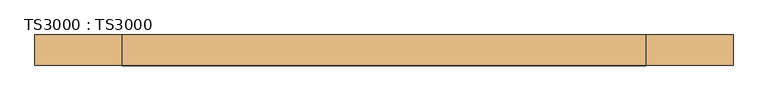
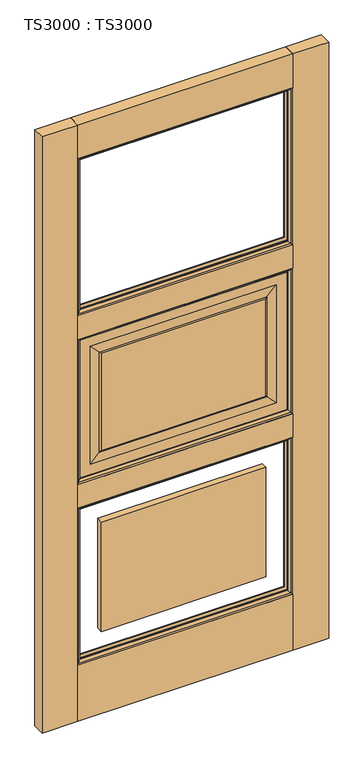
"""IFC4 building model written with IfcOpenShell, lengths in millimetres: door geometry, TS3000 : TS3000."""

from ifc_helpers import new_model, si_unit, frame, origin, origin_with_axes, place, context, project, spatial, polyline, ellipse_curve, outline, extrude, source, transform, mapped, element, save
from ifc_brep_helpers import plane_surface, revolved_surface, advanced_brep


def ts3000_ts3000_a0dd6230(model_context):
    return source(origin(), model_context, "Body", "SolidModel", [
        advanced_brep(
        [(889.0, -12.7, 1430.8666667), (889.0, -31.75, 1430.8666667), (889.0, -31.75, 886.8833333), (889.0, -12.7, 886.8833333), (127.0, -31.75, 1430.8666667), (127.0, -31.75, 886.8833333), (838.2, -31.75, 937.6833333), (177.8, -31.75, 937.6833333), (177.8, -31.75, 1380.0666667), (838.2, -31.75, 1380.0666667), (127.0, -12.7, 886.8833333), (127.0, -12.7, 1430.8666667), (838.2, -12.7, 1380.0666667), (177.8, -12.7, 1380.0666667), (177.8, -12.7, 937.6833333), (838.2, -12.7, 937.6833333), (800.1, -33.3375, 1341.9666667), (800.1, -11.1125, 1341.9666667), (800.1, -11.1125, 975.7833333), (800.1, -33.3375, 975.7833333), (804.8625, -13.49375, 1346.7291667), (804.8625, -13.49375, 971.0208333), (215.9, -11.1125, 975.7833333), (215.9, -33.3375, 975.7833333), (804.8625, -30.95625, 1346.7291667), (804.8625, -30.95625, 971.0208333), (211.1375, -13.49375, 971.0208333), (215.9, -11.1125, 1341.9666667), (215.9, -33.3375, 1341.9666667), (211.1375, -30.95625, 971.0208333), (211.1375, -13.49375, 1346.7291667), (211.1375, -30.95625, 1346.7291667)],
        [
            (0, 1),
            (1, 2),
            (2, 3),
            (3, 0),
            (1, 4),
            (4, 5),
            (5, 2),
            (6, 7),
            (7, 8),
            (8, 9),
            (9, 6),
            (5, 10),
            (10, 3),
            (10, 11),
            (11, 0),
            (12, 13),
            (13, 14),
            (14, 15),
            (15, 12),
            (16, 17),
            (17, 18),
            (18, 19),
            (19, 16),
            (17, 20, ellipse_curve(frame((805.3585938, -6.5484375, 1347.2252604), z_axis=(-0.7071067811865475, 0.0, 0.7071067811865475), x_axis=(-0.7071067811865474, 0.0, -0.7071067811865476)), 9.8471798, 6.9630076)),
            (20, 21),
            (21, 18, ellipse_curve(frame((805.3585938, -6.5484375, 970.5247396), z_axis=(-0.7071067811865475, 0.0, -0.7071067811865475), x_axis=(0.7071067811865474, 0.0, -0.7071067811865476)), 9.8471798, 6.9630076)),
            (18, 22),
            (22, 23),
            (23, 19),
            (24, 16, ellipse_curve(frame((805.3585938, -37.9015625, 1347.2252604), z_axis=(-0.7071067811865475, 0.0, 0.7071067811865475), x_axis=(-0.7071067811865474, 0.0, -0.7071067811865476)), 9.8471798, 6.9630076)),
            (19, 25, ellipse_curve(frame((805.3585938, -37.9015625, 970.5247396), z_axis=(-0.7071067811865475, 0.0, -0.7071067811865475), x_axis=(0.7071067811865474, 0.0, -0.7071067811865476)), 9.8471798, 6.9630076)),
            (25, 24),
            (4, 11),
            (21, 26),
            (26, 22, ellipse_curve(frame((210.6414063, -6.5484375, 970.5247396), z_axis=(-0.7071067811865475, 0.0, 0.7071067811865475), x_axis=(-0.7071067811865476, 0.0, -0.7071067811865474)), 9.8471798, 6.9630076)),
            (22, 27),
            (27, 28),
            (28, 23),
            (23, 29, ellipse_curve(frame((210.6414063, -37.9015625, 970.5247396), z_axis=(-0.7071067811865475, 0.0, 0.7071067811865475), x_axis=(-0.7071067811865476, 0.0, -0.7071067811865474)), 9.8471798, 6.9630076)),
            (29, 25),
            (26, 30),
            (30, 27, ellipse_curve(frame((210.6414063, -6.5484375, 1347.2252604), z_axis=(0.7071067811865475, 0.0, 0.7071067811865475), x_axis=(-0.7071067811865474, 0.0, 0.7071067811865476)), 9.8471798, 6.9630076)),
            (28, 31, ellipse_curve(frame((210.6414063, -37.9015625, 1347.2252604), z_axis=(0.7071067811865475, 0.0, 0.7071067811865475), x_axis=(-0.7071067811865474, 0.0, 0.7071067811865476)), 9.8471798, 6.9630076)),
            (31, 29),
            (6, 25),
            (29, 7),
            (31, 8),
            (9, 24),
            (26, 14),
            (13, 30),
            (21, 15),
            (20, 12),
            (27, 17),
            (16, 28),
            (31, 24),
            (20, 30),
        ],
        [
            plane_surface(frame((889.0, -31.75, 1430.8666667), z_axis=(1.0, 0.0, 0.0), x_axis=(0.0, 0.0, -1.0))),
            plane_surface(frame((177.8, -31.75, 1380.0666667), z_axis=(0.0, -1.0, 0.0), x_axis=(1.0, 0.0, 0.0))),
            plane_surface(frame((889.0, -31.75, 886.8833333), z_axis=(0.0, 0.0, -1.0), x_axis=(-1.0, 0.0, 0.0))),
            plane_surface(frame((127.0, -12.7, 1430.8666667), z_axis=(0.0, 1.0, 0.0), x_axis=(1.0, 0.0, 0.0))),
            plane_surface(frame((800.1, -11.1125, 1341.9666667), z_axis=(-1.0, 0.0, 0.0), x_axis=(0.0, 0.0, -1.0))),
            revolved_surface(polyline([(798.3955862, -6.5484375, 963.5617319878568), (798.3955862, -6.5484375, 1354.1882680121432)]), (805.3585938, -6.5484375, 1341.9666667), (0.0, 0.0, -1.0)),
            plane_surface(frame((800.1, -11.1125, 975.7833333), z_axis=(0.0, 0.0, 1.0), x_axis=(-1.0, 0.0, 0.0))),
            revolved_surface(polyline([(798.3955862, -37.9015625, 963.5617319878568), (798.3955862, -37.9015625, 1354.1882680121432)]), (805.3585938, -37.9015625, 1341.9666667), (0.0, 0.0, -1.0)),
            plane_surface(frame((127.0, -31.75, 886.8833333), z_axis=(-1.0, 0.0, 0.0), x_axis=(0.0, 0.0, 1.0))),
            revolved_surface(polyline([(203.67839868785677, -6.5484375, 977.4877472), (812.3216014121432, -6.5484375, 977.4877472)]), (800.1, -6.5484375, 970.5247396), (-1.0, 0.0, 0.0)),
            plane_surface(frame((215.9, -11.1125, 975.7833333), z_axis=(1.0, 0.0, 0.0), x_axis=(0.0, 0.0, 1.0))),
            revolved_surface(polyline([(203.67839868785677, -37.9015625, 977.4877472), (812.3216014121432, -37.9015625, 977.4877472)]), (800.1, -37.9015625, 970.5247396), (-1.0, 0.0, 0.0)),
            revolved_surface(polyline([(217.6044139, -6.5484375, 1354.1882680121432), (217.6044139, -6.5484375, 963.5617319878568)]), (210.6414063, -6.5484375, 975.7833333), (0.0, 0.0, 1.0)),
            revolved_surface(polyline([(217.6044139, -37.9015625, 1354.1882680121432), (217.6044139, -37.9015625, 963.5617319878568)]), (210.6414063, -37.9015625, 975.7833333), (0.0, 0.0, 1.0)),
            plane_surface(frame((804.8625, -30.95625, 971.0208333), z_axis=(0.0, -0.9997166737441345, 0.023802777946362628), x_axis=(-1.0, 0.0, 0.0))),
            plane_surface(frame((211.1375, -30.95625, 971.0208333), z_axis=(0.02380277794635939, -0.9997166737441346, 0.0), x_axis=(0.0, 0.0, 1.0))),
            plane_surface(frame((804.8625, -30.95625, 1346.7291667), z_axis=(-0.023802777946365865, -0.9997166737441344, 0.0), x_axis=(0.0, 0.0, -1.0))),
            plane_surface(frame((177.8, -12.7, 937.6833333), z_axis=(0.0238027779463033, 0.9997166737441359, 0.0), x_axis=(0.0, 0.0, 1.0))),
            plane_surface(frame((838.2, -12.7, 937.6833333), z_axis=(0.0, 0.999716673744136, 0.023802777946300063), x_axis=(-1.0, 0.0, 0.0))),
            plane_surface(frame((838.2, -12.7, 1380.0666667), z_axis=(-0.023802777946296826, 0.9997166737441361, 0.0), x_axis=(0.0, 0.0, -1.0))),
            plane_surface(frame((127.0, -31.75, 1430.8666667), z_axis=(0.0, 0.0, 1.0), x_axis=(1.0, 0.0, 0.0))),
            plane_surface(frame((215.9, -11.1125, 1341.9666667), z_axis=(0.0, 0.0, -1.0), x_axis=(1.0, 0.0, 0.0))),
            plane_surface(frame((211.1375, -30.95625, 1346.7291667), z_axis=(0.0, -0.9997166737441345, -0.023802777946362628), x_axis=(1.0, 0.0, 0.0))),
            plane_surface(frame((177.8, -12.7, 1380.0666667), z_axis=(0.0, 0.999716673744136, -0.023802777946300063), x_axis=(1.0, 0.0, 0.0))),
            revolved_surface(polyline([(812.3216014121432, -6.5484375, 1340.2622528), (203.6783986878568, -6.5484375, 1340.2622528)]), (215.9, -6.5484375, 1347.2252604), (1.0, 0.0, 0.0)),
            revolved_surface(polyline([(812.3216014121432, -37.9015625, 1340.2622528), (203.6783986878568, -37.9015625, 1340.2622528)]), (215.9, -37.9015625, 1347.2252604), (1.0, 0.0, 0.0)),
        ],
        [
            (0, [[1, 2, 3, 4]]),
            (1, [[5, 6, 7, -2], [8, 9, 10, 11]]),
            (2, [[-3, -7, 12, 13]]),
            (3, [[-13, 14, 15, -4], [16, 17, 18, 19]]),
            (4, [[20, 21, 22, 23]]),
            (5, [[24, 25, 26, -21]]),
            (6, [[-22, 27, 28, 29]]),
            (7, [[30, -23, 31, 32]]),
            (8, [[-12, -6, 33, -14]]),
            (9, [[-26, 34, 35, -27]]),
            (10, [[-28, 36, 37, 38]]),
            (11, [[-31, -29, 39, 40]]),
            (12, [[-35, 41, 42, -36]]),
            (13, [[-39, -38, 43, 44]]),
            (14, [[45, -40, 46, -8]]),
            (15, [[-46, -44, 47, -9]]),
            (16, [[48, -32, -45, -11]]),
            (17, [[49, -17, 50, -41]]),
            (18, [[51, -18, -49, -34]]),
            (19, [[52, -19, -51, -25]]),
            (20, [[-33, -5, -1, -15]]),
            (21, [[-37, 53, -20, 54]]),
            (22, [[-47, 55, -48, -10]]),
            (23, [[-50, -16, -52, 56]]),
            (24, [[-42, -56, -24, -53]]),
            (25, [[-43, -54, -30, -55]]),
        ],
    ),
        extrude(outline(polyline([(889.0, -44.45), (127.0, -44.45), (127.0, 0.0), (889.0, 0.0), (889.0, -44.45)])), origin_with_axes(), (0.0, 0.0, 1.0), 209.55),
        extrude(outline(polyline([(889.0, -44.45), (127.0, -44.45), (127.0, 0.0), (889.0, 0.0), (889.0, -44.45)])), frame((0.0, 0.0, 797.9833333), z_axis=(0.0, 0.0, 1.0), x_axis=(1.0, 0.0, 0.0)), (0.0, 0.0, 1.0), 88.9),
        extrude(outline(polyline([(889.0, -44.45), (127.0, -44.45), (127.0, 0.0), (889.0, 0.0), (889.0, -44.45)])), frame((0.0, 0.0, 2108.2), z_axis=(0.0, 0.0, 1.0), x_axis=(1.0, 0.0, 0.0)), (0.0, 0.0, 1.0), 127.0),
        extrude(outline(polyline([(889.0, -44.45), (127.0, -44.45), (127.0, 0.0), (889.0, 0.0), (889.0, -44.45)])), frame((0.0, 0.0, 1430.8666667), z_axis=(0.0, 0.0, 1.0), x_axis=(1.0, 0.0, 0.0)), (0.0, 0.0, 1.0), 88.9),
        extrude(outline(polyline([(215.9, -11.1125), (800.1, -11.1125), (800.1, -33.3375), (215.9, -33.3375), (215.9, -11.1125)])), frame((0.0, 0.0, 298.45), z_axis=(0.0, 0.0, 1.0), x_axis=(1.0, 0.0, 0.0)), (0.0, 0.0, 1.0), 410.6333333),
        extrude(outline(polyline([(215.9, -11.1125), (800.1, -11.1125), (800.1, -33.3375), (215.9, -33.3375), (215.9, -11.1125)])), frame((0.0, 0.0, 975.7833333), z_axis=(0.0, 0.0, 1.0), x_axis=(1.0, 0.0, 0.0)), (0.0, 0.0, 1.0), 366.1833333),
        extrude(outline(polyline([(1016.0, -44.45), (889.0, -44.45), (889.0, 0.0), (1016.0, 0.0), (1016.0, -44.45)])), origin_with_axes(), (0.0, 0.0, 1.0), 2235.2),
        extrude(outline(polyline([(127.0, -44.45), (0.0, -44.45), (0.0, 0.0), (127.0, 0.0), (127.0, -44.45)])), origin_with_axes(), (0.0, 0.0, 1.0), 2235.2),
        advanced_brep(
        [(889.0, -31.75, 797.9833333), (889.0, -44.4610047, 797.9833333), (889.0, -44.4610047, 209.55), (889.0, -31.75, 209.55), (876.2912454, -34.925, 785.2745787), (876.2912454, -31.75, 785.2745787), (876.2912454, -31.75, 222.2587546), (876.2912454, -34.925, 222.2587546), (884.1328423, -41.275, 793.1161757), (884.1328423, -41.275, 214.4171577), (127.0, -44.4610047, 209.55), (127.0, -31.75, 209.55), (139.7087546, -31.75, 222.2587546), (139.7087546, -34.925, 222.2587546), (131.8671577, -41.275, 214.4171577), (127.0, -44.4610047, 797.9833333), (127.0, -31.75, 797.9833333), (139.7087546, -31.75, 785.2745787), (139.7087546, -34.925, 785.2745787), (131.8671577, -41.275, 793.1161757)],
        [
            (0, 1),
            (1, 2),
            (2, 3),
            (3, 0),
            (4, 5),
            (5, 6),
            (6, 7),
            (7, 4),
            (8, 4, ellipse_curve(frame((872.149739, -48.0561173, 781.1330724), z_axis=(-0.7071067811865475, 0.0, 0.7071067811865475), x_axis=(-0.7071067811865474, 0.0, -0.7071067811865476)), 19.4719447, 13.7687442)),
            (7, 9, ellipse_curve(frame((872.149739, -48.0561173, 226.400261), z_axis=(-0.7071067811865475, 0.0, -0.7071067811865475), x_axis=(0.7071067811865474, 0.0, -0.7071067811865476)), 19.4719447, 13.7687442)),
            (9, 8),
            (1, 8, ellipse_curve(frame((881.0613821, -51.2778746, 790.0447155), z_axis=(-0.7071067811865475, 0.0, 0.7071067811865475), x_axis=(-0.7071067811865474, 0.0, -0.7071067811865476)), 14.7980653, 10.4638123)),
            (9, 2, ellipse_curve(frame((881.0613821, -51.2778746, 217.4886179), z_axis=(-0.7071067811865475, 0.0, -0.7071067811865475), x_axis=(0.7071067811865474, 0.0, -0.7071067811865476)), 14.7980653, 10.4638123)),
            (2, 10),
            (10, 11),
            (11, 3),
            (6, 12),
            (12, 13),
            (13, 7),
            (13, 14, ellipse_curve(frame((143.850261, -48.0561173, 226.400261), z_axis=(-0.7071067811865475, 0.0, 0.7071067811865475), x_axis=(-0.7071067811865476, 0.0, -0.7071067811865474)), 19.4719447, 13.7687442)),
            (14, 9),
            (14, 10, ellipse_curve(frame((134.9386179, -51.2778746, 217.4886179), z_axis=(-0.7071067811865475, 0.0, 0.7071067811865475), x_axis=(-0.7071067811865476, 0.0, -0.7071067811865474)), 14.7980653, 10.4638123)),
            (10, 15),
            (15, 16),
            (16, 11),
            (12, 17),
            (17, 18),
            (18, 13),
            (18, 19, ellipse_curve(frame((143.850261, -48.0561173, 781.1330724), z_axis=(0.7071067811865475, 0.0, 0.7071067811865475), x_axis=(-0.7071067811865474, 0.0, 0.7071067811865476)), 19.4719447, 13.7687442)),
            (19, 14),
            (19, 15, ellipse_curve(frame((134.9386179, -51.2778746, 790.0447155), z_axis=(0.7071067811865475, 0.0, 0.7071067811865475), x_axis=(-0.7071067811865474, 0.0, 0.7071067811865476)), 14.7980653, 10.4638123)),
            (15, 1),
            (0, 16),
            (5, 17),
            (4, 18),
            (8, 19),
        ],
        [
            plane_surface(frame((889.0, -44.4610047, 797.9833333), z_axis=(1.0, 0.0, 0.0), x_axis=(0.0, 0.0, -1.0))),
            plane_surface(frame((876.2912454, -31.75, 785.2745787), z_axis=(-1.0, 0.0, 0.0), x_axis=(0.0, 0.0, -1.0))),
            revolved_surface(polyline([(858.3809947999999, -48.0561173, 212.6315168597406), (858.3809947999999, -48.0561173, 794.9018165402593)]), (872.149739, -48.0561173, 797.9833333), (0.0, 0.0, -1.0)),
            revolved_surface(polyline([(870.5975698, -51.2778746, 207.02480557792865), (870.5975698, -51.2778746, 800.5085278220714)]), (881.0613821, -51.2778746, 797.9833333), (0.0, 0.0, -1.0)),
            plane_surface(frame((889.0, -44.4610047, 209.55), z_axis=(0.0, 0.0, -1.0), x_axis=(-1.0, 0.0, 0.0))),
            plane_surface(frame((876.2912454, -31.75, 222.2587546), z_axis=(0.0, 0.0, 1.0), x_axis=(-1.0, 0.0, 0.0))),
            revolved_surface(polyline([(130.08151685974065, -48.0561173, 240.16900520000002), (885.9184831402594, -48.0561173, 240.16900520000002)]), (889.0, -48.0561173, 226.400261), (-1.0, 0.0, 0.0)),
            revolved_surface(polyline([(124.47480557792869, -51.2778746, 227.9524302), (891.5251944220713, -51.2778746, 227.9524302)]), (889.0, -51.2778746, 217.4886179), (-1.0, 0.0, 0.0)),
            plane_surface(frame((127.0, -44.4610047, 209.55), z_axis=(-1.0, 0.0, 0.0), x_axis=(0.0, 0.0, 1.0))),
            plane_surface(frame((139.7087546, -31.75, 222.2587546), z_axis=(1.0, 0.0, 0.0), x_axis=(0.0, 0.0, 1.0))),
            revolved_surface(polyline([(157.6190052, -48.0561173, 794.9018165402595), (157.6190052, -48.0561173, 212.63151685974054)]), (143.850261, -48.0561173, 209.55), (0.0, 0.0, 1.0)),
            revolved_surface(polyline([(145.4024302, -51.2778746, 800.5085278220713), (145.4024302, -51.2778746, 207.02480557792867)]), (134.9386179, -51.2778746, 209.55), (0.0, 0.0, 1.0)),
            plane_surface(frame((127.0, -44.4610047, 797.9833333), z_axis=(0.0, 0.0, 1.0), x_axis=(1.0, 0.0, 0.0))),
            plane_surface(frame((127.0, -31.75, 797.9833333), z_axis=(0.0, 1.0, 0.0), x_axis=(1.0, 0.0, 0.0))),
            plane_surface(frame((139.7087546, -31.75, 785.2745787), z_axis=(0.0, 0.0, -1.0), x_axis=(1.0, 0.0, 0.0))),
            revolved_surface(polyline([(885.9184831402594, -48.0561173, 767.3643281999999), (130.08151685974053, -48.0561173, 767.3643281999999)]), (127.0, -48.0561173, 781.1330724), (1.0, 0.0, 0.0)),
            revolved_surface(polyline([(891.5251944220713, -51.2778746, 779.5809032000001), (124.47480557792866, -51.2778746, 779.5809032000001)]), (127.0, -51.2778746, 790.0447155), (1.0, 0.0, 0.0)),
        ],
        [
            (0, [[1, 2, 3, 4]]),
            (1, [[5, 6, 7, 8]]),
            (2, [[9, -8, 10, 11]]),
            (3, [[12, -11, 13, -2]]),
            (4, [[-3, 14, 15, 16]]),
            (5, [[-7, 17, 18, 19]]),
            (6, [[-10, -19, 20, 21]]),
            (7, [[-13, -21, 22, -14]]),
            (8, [[-15, 23, 24, 25]]),
            (9, [[-18, 26, 27, 28]]),
            (10, [[-20, -28, 29, 30]]),
            (11, [[-22, -30, 31, -23]]),
            (12, [[-24, 32, -1, 33]]),
            (13, [[-16, -25, -33, -4], [34, -26, -17, -6]]),
            (14, [[-27, -34, -5, 35]]),
            (15, [[-29, -35, -9, 36]]),
            (16, [[-31, -36, -12, -32]]),
        ],
    ),
        advanced_brep(
        [(884.1328423, -3.175, 793.1161757), (889.0, 0.0110047, 797.9833333), (889.0, 0.0110047, 209.55), (884.1328423, -3.175, 214.4171577), (876.2912454, -9.525, 785.2745787), (876.2912454, -9.525, 222.2587546), (876.2912454, -12.7, 785.2745787), (876.2912454, -12.7, 222.2587546), (889.0, -12.7, 797.9833333), (889.0, -12.7, 209.55), (127.0, 0.0110047, 209.55), (131.8671577, -3.175, 214.4171577), (139.7087546, -9.525, 222.2587546), (139.7087546, -12.7, 222.2587546), (127.0, -12.7, 209.55), (127.0, 0.0110047, 797.9833333), (131.8671577, -3.175, 793.1161757), (139.7087546, -9.525, 785.2745787), (139.7087546, -12.7, 785.2745787), (127.0, -12.7, 797.9833333)],
        [
            (0, 1, ellipse_curve(frame((881.0613821, 6.8278746, 790.0447155), z_axis=(-0.7071067811865475, 0.0, 0.7071067811865475), x_axis=(-0.7071067811865474, 0.0, -0.7071067811865476)), 14.7980653, 10.4638123)),
            (1, 2),
            (2, 3, ellipse_curve(frame((881.0613821, 6.8278746, 217.4886179), z_axis=(-0.7071067811865475, 0.0, -0.7071067811865475), x_axis=(0.7071067811865474, 0.0, -0.7071067811865476)), 14.7980653, 10.4638123)),
            (3, 0),
            (4, 0, ellipse_curve(frame((872.149739, 3.6061173, 781.1330724), z_axis=(-0.7071067811865475, 0.0, 0.7071067811865475), x_axis=(-0.7071067811865474, 0.0, -0.7071067811865476)), 19.4719447, 13.7687442)),
            (3, 5, ellipse_curve(frame((872.149739, 3.6061173, 226.400261), z_axis=(-0.7071067811865475, 0.0, -0.7071067811865475), x_axis=(0.7071067811865474, 0.0, -0.7071067811865476)), 19.4719447, 13.7687442)),
            (5, 4),
            (6, 4),
            (5, 7),
            (7, 6),
            (1, 8),
            (8, 9),
            (9, 2),
            (2, 10),
            (10, 11, ellipse_curve(frame((134.9386179, 6.8278746, 217.4886179), z_axis=(-0.7071067811865475, 0.0, 0.7071067811865475), x_axis=(-0.7071067811865476, 0.0, -0.7071067811865474)), 14.7980653, 10.4638123)),
            (11, 3),
            (11, 12, ellipse_curve(frame((143.850261, 3.6061173, 226.400261), z_axis=(-0.7071067811865475, 0.0, 0.7071067811865475), x_axis=(-0.7071067811865476, 0.0, -0.7071067811865474)), 19.4719447, 13.7687442)),
            (12, 5),
            (12, 13),
            (13, 7),
            (9, 14),
            (14, 10),
            (10, 15),
            (15, 16, ellipse_curve(frame((134.9386179, 6.8278746, 790.0447155), z_axis=(0.7071067811865475, 0.0, 0.7071067811865475), x_axis=(-0.7071067811865474, 0.0, 0.7071067811865476)), 14.7980653, 10.4638123)),
            (16, 11),
            (16, 17, ellipse_curve(frame((143.850261, 3.6061173, 781.1330724), z_axis=(0.7071067811865475, 0.0, 0.7071067811865475), x_axis=(-0.7071067811865474, 0.0, 0.7071067811865476)), 19.4719447, 13.7687442)),
            (17, 12),
            (17, 18),
            (18, 13),
            (14, 19),
            (19, 15),
            (15, 1),
            (0, 16),
            (4, 17),
            (6, 18),
            (8, 19),
        ],
        [
            revolved_surface(polyline([(870.5975698, 6.8278746, 207.02480557792865), (870.5975698, 6.8278746, 800.5085278220714)]), (881.0613821, 6.8278746, 797.9833333), (0.0, 0.0, -1.0)),
            revolved_surface(polyline([(858.3809947999999, 3.6061173, 212.6315168597406), (858.3809947999999, 3.6061173, 794.9018165402593)]), (872.149739, 3.6061173, 797.9833333), (0.0, 0.0, -1.0)),
            plane_surface(frame((876.2912454, -9.525, 785.2745787), z_axis=(-1.0, 0.0, 0.0), x_axis=(0.0, 0.0, -1.0))),
            plane_surface(frame((889.0, -12.7, 797.9833333), z_axis=(1.0, 0.0, 0.0), x_axis=(0.0, 0.0, -1.0))),
            revolved_surface(polyline([(124.47480557792869, 6.8278746, 227.9524302), (891.5251944220713, 6.8278746, 227.9524302)]), (889.0, 6.8278746, 217.4886179), (-1.0, 0.0, 0.0)),
            revolved_surface(polyline([(130.08151685974065, 3.6061173, 240.16900520000002), (885.9184831402594, 3.6061173, 240.16900520000002)]), (889.0, 3.6061173, 226.400261), (-1.0, 0.0, 0.0)),
            plane_surface(frame((876.2912454, -9.525, 222.2587546), z_axis=(0.0, 0.0, 1.0), x_axis=(-1.0, 0.0, 0.0))),
            plane_surface(frame((889.0, -12.7, 209.55), z_axis=(0.0, 0.0, -1.0), x_axis=(-1.0, 0.0, 0.0))),
            revolved_surface(polyline([(145.4024302, 6.8278746, 800.5085278220713), (145.4024302, 6.8278746, 207.02480557792867)]), (134.9386179, 6.8278746, 209.55), (0.0, 0.0, 1.0)),
            revolved_surface(polyline([(157.6190052, 3.6061173, 794.9018165402595), (157.6190052, 3.6061173, 212.63151685974054)]), (143.850261, 3.6061173, 209.55), (0.0, 0.0, 1.0)),
            plane_surface(frame((139.7087546, -9.525, 222.2587546), z_axis=(1.0, 0.0, 0.0), x_axis=(0.0, 0.0, 1.0))),
            plane_surface(frame((127.0, -12.7, 209.55), z_axis=(-1.0, 0.0, 0.0), x_axis=(0.0, 0.0, 1.0))),
            revolved_surface(polyline([(891.5251944220713, 6.8278746, 779.5809032000001), (124.47480557792866, 6.8278746, 779.5809032000001)]), (127.0, 6.8278746, 790.0447155), (1.0, 0.0, 0.0)),
            revolved_surface(polyline([(885.9184831402594, 3.6061173, 767.3643281999999), (130.08151685974053, 3.6061173, 767.3643281999999)]), (127.0, 3.6061173, 781.1330724), (1.0, 0.0, 0.0)),
            plane_surface(frame((139.7087546, -9.525, 785.2745787), z_axis=(0.0, 0.0, -1.0), x_axis=(1.0, 0.0, 0.0))),
            plane_surface(frame((139.7087546, -12.7, 785.2745787), z_axis=(0.0, -1.0, 0.0), x_axis=(1.0, 0.0, 0.0))),
            plane_surface(frame((127.0, -12.7, 797.9833333), z_axis=(0.0, 0.0, 1.0), x_axis=(1.0, 0.0, 0.0))),
        ],
        [
            (0, [[1, 2, 3, 4]]),
            (1, [[5, -4, 6, 7]]),
            (2, [[8, -7, 9, 10]]),
            (3, [[11, 12, 13, -2]]),
            (4, [[-3, 14, 15, 16]]),
            (5, [[-6, -16, 17, 18]]),
            (6, [[-9, -18, 19, 20]]),
            (7, [[-13, 21, 22, -14]]),
            (8, [[-15, 23, 24, 25]]),
            (9, [[-17, -25, 26, 27]]),
            (10, [[-19, -27, 28, 29]]),
            (11, [[-22, 30, 31, -23]]),
            (12, [[-24, 32, -1, 33]]),
            (13, [[-26, -33, -5, 34]]),
            (14, [[-28, -34, -8, 35]]),
            (15, [[36, -30, -21, -12], [-20, -29, -35, -10]]),
            (16, [[-31, -36, -11, -32]]),
        ],
    ),
        advanced_brep(
        [(889.0, -31.75, 1430.8666667), (889.0, -44.4610047, 1430.8666667), (889.0, -44.4610047, 886.8833333), (889.0, -31.75, 886.8833333), (876.2912454, -34.925, 1418.157912), (876.2912454, -31.75, 1418.157912), (876.2912454, -31.75, 899.592088), (876.2912454, -34.925, 899.592088), (884.1328423, -41.275, 1425.999509), (884.1328423, -41.275, 891.750491), (127.0, -44.4610047, 886.8833333), (127.0, -31.75, 886.8833333), (139.7087546, -31.75, 899.592088), (139.7087546, -34.925, 899.592088), (131.8671577, -41.275, 891.750491), (127.0, -44.4610047, 1430.8666667), (127.0, -31.75, 1430.8666667), (139.7087546, -31.75, 1418.157912), (139.7087546, -34.925, 1418.157912), (131.8671577, -41.275, 1425.999509)],
        [
            (0, 1),
            (1, 2),
            (2, 3),
            (3, 0),
            (4, 5),
            (5, 6),
            (6, 7),
            (7, 4),
            (8, 4, ellipse_curve(frame((872.149739, -48.0561173, 1414.0164057), z_axis=(-0.7071067811865475, 0.0, 0.7071067811865475), x_axis=(-0.7071067811865474, 0.0, -0.7071067811865476)), 19.4719447, 13.7687442)),
            (7, 9, ellipse_curve(frame((872.149739, -48.0561173, 903.7335943), z_axis=(-0.7071067811865475, 0.0, -0.7071067811865475), x_axis=(0.7071067811865474, 0.0, -0.7071067811865476)), 19.4719447, 13.7687442)),
            (9, 8),
            (1, 8, ellipse_curve(frame((881.0613821, -51.2778746, 1422.9280488), z_axis=(-0.7071067811865475, 0.0, 0.7071067811865475), x_axis=(-0.7071067811865474, 0.0, -0.7071067811865476)), 14.7980653, 10.4638123)),
            (9, 2, ellipse_curve(frame((881.0613821, -51.2778746, 894.8219512), z_axis=(-0.7071067811865475, 0.0, -0.7071067811865475), x_axis=(0.7071067811865474, 0.0, -0.7071067811865476)), 14.7980653, 10.4638123)),
            (2, 10),
            (10, 11),
            (11, 3),
            (6, 12),
            (12, 13),
            (13, 7),
            (13, 14, ellipse_curve(frame((143.850261, -48.0561173, 903.7335943), z_axis=(-0.7071067811865475, 0.0, 0.7071067811865475), x_axis=(-0.7071067811865476, 0.0, -0.7071067811865474)), 19.4719447, 13.7687442)),
            (14, 9),
            (14, 10, ellipse_curve(frame((134.9386179, -51.2778746, 894.8219512), z_axis=(-0.7071067811865475, 0.0, 0.7071067811865475), x_axis=(-0.7071067811865476, 0.0, -0.7071067811865474)), 14.7980653, 10.4638123)),
            (10, 15),
            (15, 16),
            (16, 11),
            (12, 17),
            (17, 18),
            (18, 13),
            (18, 19, ellipse_curve(frame((143.850261, -48.0561173, 1414.0164057), z_axis=(0.7071067811865475, 0.0, 0.7071067811865475), x_axis=(-0.7071067811865474, 0.0, 0.7071067811865476)), 19.4719447, 13.7687442)),
            (19, 14),
            (19, 15, ellipse_curve(frame((134.9386179, -51.2778746, 1422.9280488), z_axis=(0.7071067811865475, 0.0, 0.7071067811865475), x_axis=(-0.7071067811865474, 0.0, 0.7071067811865476)), 14.7980653, 10.4638123)),
            (15, 1),
            (0, 16),
            (5, 17),
            (4, 18),
            (8, 19),
        ],
        [
            plane_surface(frame((889.0, -44.4610047, 1430.8666667), z_axis=(1.0, 0.0, 0.0), x_axis=(0.0, 0.0, -1.0))),
            plane_surface(frame((876.2912454, -31.75, 1418.157912), z_axis=(-1.0, 0.0, 0.0), x_axis=(0.0, 0.0, -1.0))),
            revolved_surface(polyline([(858.3809947999999, -48.0561173, 889.9648501597406), (858.3809947999999, -48.0561173, 1427.7851498402595)]), (872.149739, -48.0561173, 1430.8666667), (0.0, 0.0, -1.0)),
            revolved_surface(polyline([(870.5975698, -51.2778746, 884.3581388779286), (870.5975698, -51.2778746, 1433.3918611220713)]), (881.0613821, -51.2778746, 1430.8666667), (0.0, 0.0, -1.0)),
            plane_surface(frame((889.0, -44.4610047, 886.8833333), z_axis=(0.0, 0.0, -1.0), x_axis=(-1.0, 0.0, 0.0))),
            plane_surface(frame((876.2912454, -31.75, 899.592088), z_axis=(0.0, 0.0, 1.0), x_axis=(-1.0, 0.0, 0.0))),
            revolved_surface(polyline([(130.08151685974065, -48.0561173, 917.5023385000001), (885.9184831402594, -48.0561173, 917.5023385000001)]), (889.0, -48.0561173, 903.7335943), (-1.0, 0.0, 0.0)),
            revolved_surface(polyline([(124.47480557792869, -51.2778746, 905.2857634999999), (891.5251944220713, -51.2778746, 905.2857634999999)]), (889.0, -51.2778746, 894.8219512), (-1.0, 0.0, 0.0)),
            plane_surface(frame((127.0, -44.4610047, 886.8833333), z_axis=(-1.0, 0.0, 0.0), x_axis=(0.0, 0.0, 1.0))),
            plane_surface(frame((139.7087546, -31.75, 899.592088), z_axis=(1.0, 0.0, 0.0), x_axis=(0.0, 0.0, 1.0))),
            revolved_surface(polyline([(157.6190052, -48.0561173, 1427.7851498402592), (157.6190052, -48.0561173, 889.9648501597406)]), (143.850261, -48.0561173, 886.8833333), (0.0, 0.0, 1.0)),
            revolved_surface(polyline([(145.4024302, -51.2778746, 1433.3918611220713), (145.4024302, -51.2778746, 884.3581388779286)]), (134.9386179, -51.2778746, 886.8833333), (0.0, 0.0, 1.0)),
            plane_surface(frame((127.0, -44.4610047, 1430.8666667), z_axis=(0.0, 0.0, 1.0), x_axis=(1.0, 0.0, 0.0))),
            plane_surface(frame((127.0, -31.75, 1430.8666667), z_axis=(0.0, 1.0, 0.0), x_axis=(1.0, 0.0, 0.0))),
            plane_surface(frame((139.7087546, -31.75, 1418.157912), z_axis=(0.0, 0.0, -1.0), x_axis=(1.0, 0.0, 0.0))),
            revolved_surface(polyline([(885.9184831402594, -48.0561173, 1400.2476615), (130.08151685974053, -48.0561173, 1400.2476615)]), (127.0, -48.0561173, 1414.0164057), (1.0, 0.0, 0.0)),
            revolved_surface(polyline([(891.5251944220713, -51.2778746, 1412.4642365), (124.47480557792866, -51.2778746, 1412.4642365)]), (127.0, -51.2778746, 1422.9280488), (1.0, 0.0, 0.0)),
        ],
        [
            (0, [[1, 2, 3, 4]]),
            (1, [[5, 6, 7, 8]]),
            (2, [[9, -8, 10, 11]]),
            (3, [[12, -11, 13, -2]]),
            (4, [[-3, 14, 15, 16]]),
            (5, [[-7, 17, 18, 19]]),
            (6, [[-10, -19, 20, 21]]),
            (7, [[-13, -21, 22, -14]]),
            (8, [[-15, 23, 24, 25]]),
            (9, [[-18, 26, 27, 28]]),
            (10, [[-20, -28, 29, 30]]),
            (11, [[-22, -30, 31, -23]]),
            (12, [[-24, 32, -1, 33]]),
            (13, [[-16, -25, -33, -4], [34, -26, -17, -6]]),
            (14, [[-27, -34, -5, 35]]),
            (15, [[-29, -35, -9, 36]]),
            (16, [[-31, -36, -12, -32]]),
        ],
    ),
        advanced_brep(
        [(884.1328423, -3.175, 1425.999509), (889.0, 0.0110047, 1430.8666667), (889.0, 0.0110047, 886.8833333), (884.1328423, -3.175, 891.750491), (876.2912454, -9.525, 1418.157912), (876.2912454, -9.525, 899.592088), (876.2912454, -12.7, 1418.157912), (876.2912454, -12.7, 899.592088), (889.0, -12.7, 1430.8666667), (889.0, -12.7, 886.8833333), (127.0, 0.0110047, 886.8833333), (131.8671577, -3.175, 891.750491), (139.7087546, -9.525, 899.592088), (139.7087546, -12.7, 899.592088), (127.0, -12.7, 886.8833333), (127.0, 0.0110047, 1430.8666667), (131.8671577, -3.175, 1425.999509), (139.7087546, -9.525, 1418.157912), (139.7087546, -12.7, 1418.157912), (127.0, -12.7, 1430.8666667)],
        [
            (0, 1, ellipse_curve(frame((881.0613821, 6.8278746, 1422.9280488), z_axis=(-0.7071067811865475, 0.0, 0.7071067811865475), x_axis=(-0.7071067811865474, 0.0, -0.7071067811865476)), 14.7980653, 10.4638123)),
            (1, 2),
            (2, 3, ellipse_curve(frame((881.0613821, 6.8278746, 894.8219512), z_axis=(-0.7071067811865475, 0.0, -0.7071067811865475), x_axis=(0.7071067811865474, 0.0, -0.7071067811865476)), 14.7980653, 10.4638123)),
            (3, 0),
            (4, 0, ellipse_curve(frame((872.149739, 3.6061173, 1414.0164057), z_axis=(-0.7071067811865475, 0.0, 0.7071067811865475), x_axis=(-0.7071067811865474, 0.0, -0.7071067811865476)), 19.4719447, 13.7687442)),
            (3, 5, ellipse_curve(frame((872.149739, 3.6061173, 903.7335943), z_axis=(-0.7071067811865475, 0.0, -0.7071067811865475), x_axis=(0.7071067811865474, 0.0, -0.7071067811865476)), 19.4719447, 13.7687442)),
            (5, 4),
            (6, 4),
            (5, 7),
            (7, 6),
            (1, 8),
            (8, 9),
            (9, 2),
            (2, 10),
            (10, 11, ellipse_curve(frame((134.9386179, 6.8278746, 894.8219512), z_axis=(-0.7071067811865475, 0.0, 0.7071067811865475), x_axis=(-0.7071067811865476, 0.0, -0.7071067811865474)), 14.7980653, 10.4638123)),
            (11, 3),
            (11, 12, ellipse_curve(frame((143.850261, 3.6061173, 903.7335943), z_axis=(-0.7071067811865475, 0.0, 0.7071067811865475), x_axis=(-0.7071067811865476, 0.0, -0.7071067811865474)), 19.4719447, 13.7687442)),
            (12, 5),
            (12, 13),
            (13, 7),
            (9, 14),
            (14, 10),
            (10, 15),
            (15, 16, ellipse_curve(frame((134.9386179, 6.8278746, 1422.9280488), z_axis=(0.7071067811865475, 0.0, 0.7071067811865475), x_axis=(-0.7071067811865474, 0.0, 0.7071067811865476)), 14.7980653, 10.4638123)),
            (16, 11),
            (16, 17, ellipse_curve(frame((143.850261, 3.6061173, 1414.0164057), z_axis=(0.7071067811865475, 0.0, 0.7071067811865475), x_axis=(-0.7071067811865474, 0.0, 0.7071067811865476)), 19.4719447, 13.7687442)),
            (17, 12),
            (17, 18),
            (18, 13),
            (14, 19),
            (19, 15),
            (15, 1),
            (0, 16),
            (4, 17),
            (6, 18),
            (8, 19),
        ],
        [
            revolved_surface(polyline([(870.5975698, 6.8278746, 884.3581388779286), (870.5975698, 6.8278746, 1433.3918611220713)]), (881.0613821, 6.8278746, 1430.8666667), (0.0, 0.0, -1.0)),
            revolved_surface(polyline([(858.3809947999999, 3.6061173, 889.9648501597406), (858.3809947999999, 3.6061173, 1427.7851498402595)]), (872.149739, 3.6061173, 1430.8666667), (0.0, 0.0, -1.0)),
            plane_surface(frame((876.2912454, -9.525, 1418.157912), z_axis=(-1.0, 0.0, 0.0), x_axis=(0.0, 0.0, -1.0))),
            plane_surface(frame((889.0, -12.7, 1430.8666667), z_axis=(1.0, 0.0, 0.0), x_axis=(0.0, 0.0, -1.0))),
            revolved_surface(polyline([(124.47480557792869, 6.8278746, 905.2857634999999), (891.5251944220713, 6.8278746, 905.2857634999999)]), (889.0, 6.8278746, 894.8219512), (-1.0, 0.0, 0.0)),
            revolved_surface(polyline([(130.08151685974065, 3.6061173, 917.5023385000001), (885.9184831402594, 3.6061173, 917.5023385000001)]), (889.0, 3.6061173, 903.7335943), (-1.0, 0.0, 0.0)),
            plane_surface(frame((876.2912454, -9.525, 899.592088), z_axis=(0.0, 0.0, 1.0), x_axis=(-1.0, 0.0, 0.0))),
            plane_surface(frame((889.0, -12.7, 886.8833333), z_axis=(0.0, 0.0, -1.0), x_axis=(-1.0, 0.0, 0.0))),
            revolved_surface(polyline([(145.4024302, 6.8278746, 1433.3918611220713), (145.4024302, 6.8278746, 884.3581388779286)]), (134.9386179, 6.8278746, 886.8833333), (0.0, 0.0, 1.0)),
            revolved_surface(polyline([(157.6190052, 3.6061173, 1427.7851498402592), (157.6190052, 3.6061173, 889.9648501597406)]), (143.850261, 3.6061173, 886.8833333), (0.0, 0.0, 1.0)),
            plane_surface(frame((139.7087546, -9.525, 899.592088), z_axis=(1.0, 0.0, 0.0), x_axis=(0.0, 0.0, 1.0))),
            plane_surface(frame((127.0, -12.7, 886.8833333), z_axis=(-1.0, 0.0, 0.0), x_axis=(0.0, 0.0, 1.0))),
            revolved_surface(polyline([(891.5251944220713, 6.8278746, 1412.4642365), (124.47480557792866, 6.8278746, 1412.4642365)]), (127.0, 6.8278746, 1422.9280488), (1.0, 0.0, 0.0)),
            revolved_surface(polyline([(885.9184831402594, 3.6061173, 1400.2476615), (130.08151685974053, 3.6061173, 1400.2476615)]), (127.0, 3.6061173, 1414.0164057), (1.0, 0.0, 0.0)),
            plane_surface(frame((139.7087546, -9.525, 1418.157912), z_axis=(0.0, 0.0, -1.0), x_axis=(1.0, 0.0, 0.0))),
            plane_surface(frame((139.7087546, -12.7, 1418.157912), z_axis=(0.0, -1.0, 0.0), x_axis=(1.0, 0.0, 0.0))),
            plane_surface(frame((127.0, -12.7, 1430.8666667), z_axis=(0.0, 0.0, 1.0), x_axis=(1.0, 0.0, 0.0))),
        ],
        [
            (0, [[1, 2, 3, 4]]),
            (1, [[5, -4, 6, 7]]),
            (2, [[8, -7, 9, 10]]),
            (3, [[11, 12, 13, -2]]),
            (4, [[-3, 14, 15, 16]]),
            (5, [[-6, -16, 17, 18]]),
            (6, [[-9, -18, 19, 20]]),
            (7, [[-13, 21, 22, -14]]),
            (8, [[-15, 23, 24, 25]]),
            (9, [[-17, -25, 26, 27]]),
            (10, [[-19, -27, 28, 29]]),
            (11, [[-22, 30, 31, -23]]),
            (12, [[-24, 32, -1, 33]]),
            (13, [[-26, -33, -5, 34]]),
            (14, [[-28, -34, -8, 35]]),
            (15, [[36, -30, -21, -12], [-20, -29, -35, -10]]),
            (16, [[-31, -36, -11, -32]]),
        ],
    ),
        advanced_brep(
        [(889.0, -31.75, 2108.2), (889.0, -44.4610047, 2108.2), (889.0, -44.4610047, 1519.7666667), (889.0, -31.75, 1519.7666667), (876.2912454, -34.925, 2095.4912454), (876.2912454, -31.75, 2095.4912454), (876.2912454, -31.75, 1532.4754213), (876.2912454, -34.925, 1532.4754213), (884.1328423, -41.275, 2103.3328423), (884.1328423, -41.275, 1524.6338243), (127.0, -44.4610047, 1519.7666667), (127.0, -31.75, 1519.7666667), (139.7087546, -31.75, 1532.4754213), (139.7087546, -34.925, 1532.4754213), (131.8671577, -41.275, 1524.6338243), (127.0, -44.4610047, 2108.2), (127.0, -31.75, 2108.2), (139.7087546, -31.75, 2095.4912454), (139.7087546, -34.925, 2095.4912454), (131.8671577, -41.275, 2103.3328423)],
        [
            (0, 1),
            (1, 2),
            (2, 3),
            (3, 0),
            (4, 5),
            (5, 6),
            (6, 7),
            (7, 4),
            (8, 4, ellipse_curve(frame((872.8743353, -47.1613154, 2092.0743353), z_axis=(-0.7071067811865475, 0.0, 0.7071067811865475), x_axis=(-0.7071067811865474, 0.0, -0.7071067811865476)), 17.9667854, 12.7044358)),
            (7, 9, ellipse_curve(frame((872.8743353, -47.1613154, 1535.8923314), z_axis=(-0.7071067811865475, 0.0, -0.7071067811865475), x_axis=(0.7071067811865474, 0.0, -0.7071067811865476)), 17.9667854, 12.7044358)),
            (9, 8),
            (1, 8, ellipse_curve(frame((881.7585588, -50.2128202, 2100.9585588), z_axis=(-0.7071067811865475, 0.0, 0.7071067811865475), x_axis=(-0.7071067811865474, 0.0, -0.7071067811865476)), 13.0783678, 9.2478026)),
            (9, 2, ellipse_curve(frame((881.7585588, -50.2128202, 1527.0081079), z_axis=(-0.7071067811865475, 0.0, -0.7071067811865475), x_axis=(0.7071067811865474, 0.0, -0.7071067811865476)), 13.0783678, 9.2478026)),
            (2, 10),
            (10, 11),
            (11, 3),
            (6, 12),
            (12, 13),
            (13, 7),
            (13, 14, ellipse_curve(frame((143.1256647, -47.1613154, 1535.8923314), z_axis=(-0.7071067811865475, 0.0, 0.7071067811865475), x_axis=(-0.7071067811865476, 0.0, -0.7071067811865474)), 17.9667854, 12.7044358)),
            (14, 9),
            (14, 10, ellipse_curve(frame((134.2414412, -50.2128202, 1527.0081079), z_axis=(-0.7071067811865475, 0.0, 0.7071067811865475), x_axis=(-0.7071067811865476, 0.0, -0.7071067811865474)), 13.0783678, 9.2478026)),
            (10, 15),
            (15, 16),
            (16, 11),
            (12, 17),
            (17, 18),
            (18, 13),
            (18, 19, ellipse_curve(frame((143.1256647, -47.1613154, 2092.0743353), z_axis=(0.7071067811865475, 0.0, 0.7071067811865475), x_axis=(-0.7071067811865474, 0.0, 0.7071067811865476)), 17.9667854, 12.7044358)),
            (19, 14),
            (19, 15, ellipse_curve(frame((134.2414412, -50.2128202, 2100.9585588), z_axis=(0.7071067811865475, 0.0, 0.7071067811865475), x_axis=(-0.7071067811865474, 0.0, 0.7071067811865476)), 13.0783678, 9.2478026)),
            (15, 1),
            (0, 16),
            (5, 17),
            (4, 18),
            (8, 19),
        ],
        [
            plane_surface(frame((889.0, -44.4610047, 2108.2), z_axis=(1.0, 0.0, 0.0), x_axis=(0.0, 0.0, -1.0))),
            plane_surface(frame((876.2912454, -31.75, 2095.4912454), z_axis=(-1.0, 0.0, 0.0), x_axis=(0.0, 0.0, -1.0))),
            revolved_surface(polyline([(860.1698994999999, -47.1613154, 1523.1878956075366), (860.1698994999999, -47.1613154, 2104.778771092463)]), (872.8743353, -47.1613154, 2108.2), (0.0, 0.0, -1.0)),
            revolved_surface(polyline([(872.5107562, -50.2128202, 1517.7603053417681), (872.5107562, -50.2128202, 2110.206361358232)]), (881.7585588, -50.2128202, 2108.2), (0.0, 0.0, -1.0)),
            plane_surface(frame((889.0, -44.4610047, 1519.7666667), z_axis=(0.0, 0.0, -1.0), x_axis=(-1.0, 0.0, 0.0))),
            plane_surface(frame((876.2912454, -31.75, 1532.4754213), z_axis=(0.0, 0.0, 1.0), x_axis=(-1.0, 0.0, 0.0))),
            revolved_surface(polyline([(130.4212289075366, -47.1613154, 1548.5967672000002), (885.5787710924634, -47.1613154, 1548.5967672000002)]), (889.0, -47.1613154, 1535.8923314), (-1.0, 0.0, 0.0)),
            revolved_surface(polyline([(124.99363864176826, -50.2128202, 1536.2559105), (891.0063613582317, -50.2128202, 1536.2559105)]), (889.0, -50.2128202, 1527.0081079), (-1.0, 0.0, 0.0)),
            plane_surface(frame((127.0, -44.4610047, 1519.7666667), z_axis=(-1.0, 0.0, 0.0), x_axis=(0.0, 0.0, 1.0))),
            plane_surface(frame((139.7087546, -31.75, 1532.4754213), z_axis=(1.0, 0.0, 0.0), x_axis=(0.0, 0.0, 1.0))),
            revolved_surface(polyline([(155.8301005, -47.1613154, 2104.778771092463), (155.8301005, -47.1613154, 1523.1878956075366)]), (143.1256647, -47.1613154, 1519.7666667), (0.0, 0.0, 1.0)),
            revolved_surface(polyline([(143.4892438, -50.2128202, 2110.206361358232), (143.4892438, -50.2128202, 1517.7603053417681)]), (134.2414412, -50.2128202, 1519.7666667), (0.0, 0.0, 1.0)),
            plane_surface(frame((127.0, -44.4610047, 2108.2), z_axis=(0.0, 0.0, 1.0), x_axis=(1.0, 0.0, 0.0))),
            plane_surface(frame((127.0, -31.75, 2108.2), z_axis=(0.0, 1.0, 0.0), x_axis=(1.0, 0.0, 0.0))),
            plane_surface(frame((139.7087546, -31.75, 2095.4912454), z_axis=(0.0, 0.0, -1.0), x_axis=(1.0, 0.0, 0.0))),
            revolved_surface(polyline([(885.5787710924634, -47.1613154, 2079.3698995), (130.42122890753654, -47.1613154, 2079.3698995)]), (127.0, -47.1613154, 2092.0743353), (1.0, 0.0, 0.0)),
            revolved_surface(polyline([(891.0063613582317, -50.2128202, 2091.7107562), (124.99363864176821, -50.2128202, 2091.7107562)]), (127.0, -50.2128202, 2100.9585588), (1.0, 0.0, 0.0)),
        ],
        [
            (0, [[1, 2, 3, 4]]),
            (1, [[5, 6, 7, 8]]),
            (2, [[9, -8, 10, 11]]),
            (3, [[12, -11, 13, -2]]),
            (4, [[-3, 14, 15, 16]]),
            (5, [[-7, 17, 18, 19]]),
            (6, [[-10, -19, 20, 21]]),
            (7, [[-13, -21, 22, -14]]),
            (8, [[-15, 23, 24, 25]]),
            (9, [[-18, 26, 27, 28]]),
            (10, [[-20, -28, 29, 30]]),
            (11, [[-22, -30, 31, -23]]),
            (12, [[-24, 32, -1, 33]]),
            (13, [[-16, -25, -33, -4], [34, -26, -17, -6]]),
            (14, [[-27, -34, -5, 35]]),
            (15, [[-29, -35, -9, 36]]),
            (16, [[-31, -36, -12, -32]]),
        ],
    ),
        advanced_brep(
        [(884.1328423, -3.175, 2103.3328423), (889.0, 0.0110047, 2108.2), (889.0, 0.0110047, 1519.7666667), (884.1328423, -3.175, 1524.6338243), (876.2912454, -9.525, 2095.4912454), (876.2912454, -9.525, 1532.4754213), (876.2912454, -12.7, 2095.4912454), (876.2912454, -12.7, 1532.4754213), (889.0, -12.7, 2108.2), (889.0, -12.7, 1519.7666667), (127.0, 0.0110047, 1519.7666667), (131.8671577, -3.175, 1524.6338243), (139.7087546, -9.525, 1532.4754213), (139.7087546, -12.7, 1532.4754213), (127.0, -12.7, 1519.7666667), (127.0, 0.0110047, 2108.2), (131.8671577, -3.175, 2103.3328423), (139.7087546, -9.525, 2095.4912454), (139.7087546, -12.7, 2095.4912454), (127.0, -12.7, 2108.2)],
        [
            (0, 1, ellipse_curve(frame((881.7585588, 5.7628202, 2100.9585588), z_axis=(-0.7071067811865475, 0.0, 0.7071067811865475), x_axis=(-0.7071067811865474, 0.0, -0.7071067811865476)), 13.0783678, 9.2478026)),
            (1, 2),
            (2, 3, ellipse_curve(frame((881.7585588, 5.7628202, 1527.0081079), z_axis=(-0.7071067811865475, 0.0, -0.7071067811865475), x_axis=(0.7071067811865474, 0.0, -0.7071067811865476)), 13.0783678, 9.2478026)),
            (3, 0),
            (4, 0, ellipse_curve(frame((872.8743353, 2.7113154, 2092.0743353), z_axis=(-0.7071067811865475, 0.0, 0.7071067811865475), x_axis=(-0.7071067811865474, 0.0, -0.7071067811865476)), 17.9667854, 12.7044358)),
            (3, 5, ellipse_curve(frame((872.8743353, 2.7113154, 1535.8923314), z_axis=(-0.7071067811865475, 0.0, -0.7071067811865475), x_axis=(0.7071067811865474, 0.0, -0.7071067811865476)), 17.9667854, 12.7044358)),
            (5, 4),
            (6, 4),
            (5, 7),
            (7, 6),
            (1, 8),
            (8, 9),
            (9, 2),
            (2, 10),
            (10, 11, ellipse_curve(frame((134.2414412, 5.7628202, 1527.0081079), z_axis=(-0.7071067811865475, 0.0, 0.7071067811865475), x_axis=(-0.7071067811865476, 0.0, -0.7071067811865474)), 13.0783678, 9.2478026)),
            (11, 3),
            (11, 12, ellipse_curve(frame((143.1256647, 2.7113154, 1535.8923314), z_axis=(-0.7071067811865475, 0.0, 0.7071067811865475), x_axis=(-0.7071067811865476, 0.0, -0.7071067811865474)), 17.9667854, 12.7044358)),
            (12, 5),
            (12, 13),
            (13, 7),
            (9, 14),
            (14, 10),
            (10, 15),
            (15, 16, ellipse_curve(frame((134.2414412, 5.7628202, 2100.9585588), z_axis=(0.7071067811865475, 0.0, 0.7071067811865475), x_axis=(-0.7071067811865474, 0.0, 0.7071067811865476)), 13.0783678, 9.2478026)),
            (16, 11),
            (16, 17, ellipse_curve(frame((143.1256647, 2.7113154, 2092.0743353), z_axis=(0.7071067811865475, 0.0, 0.7071067811865475), x_axis=(-0.7071067811865474, 0.0, 0.7071067811865476)), 17.9667854, 12.7044358)),
            (17, 12),
            (17, 18),
            (18, 13),
            (14, 19),
            (19, 15),
            (15, 1),
            (0, 16),
            (4, 17),
            (6, 18),
            (8, 19),
        ],
        [
            revolved_surface(polyline([(872.5107562, 5.7628202, 1517.7603053417681), (872.5107562, 5.7628202, 2110.206361358232)]), (881.7585588, 5.7628202, 2108.2), (0.0, 0.0, -1.0)),
            revolved_surface(polyline([(860.1698994999999, 2.7113154, 1523.1878956075366), (860.1698994999999, 2.7113154, 2104.778771092463)]), (872.8743353, 2.7113154, 2108.2), (0.0, 0.0, -1.0)),
            plane_surface(frame((876.2912454, -9.525, 2095.4912454), z_axis=(-1.0, 0.0, 0.0), x_axis=(0.0, 0.0, -1.0))),
            plane_surface(frame((889.0, -12.7, 2108.2), z_axis=(1.0, 0.0, 0.0), x_axis=(0.0, 0.0, -1.0))),
            revolved_surface(polyline([(124.99363864176826, 5.7628202, 1536.2559105), (891.0063613582317, 5.7628202, 1536.2559105)]), (889.0, 5.7628202, 1527.0081079), (-1.0, 0.0, 0.0)),
            revolved_surface(polyline([(130.4212289075366, 2.7113154, 1548.5967672000002), (885.5787710924634, 2.7113154, 1548.5967672000002)]), (889.0, 2.7113154, 1535.8923314), (-1.0, 0.0, 0.0)),
            plane_surface(frame((876.2912454, -9.525, 1532.4754213), z_axis=(0.0, 0.0, 1.0), x_axis=(-1.0, 0.0, 0.0))),
            plane_surface(frame((889.0, -12.7, 1519.7666667), z_axis=(0.0, 0.0, -1.0), x_axis=(-1.0, 0.0, 0.0))),
            revolved_surface(polyline([(143.4892438, 5.7628202, 2110.206361358232), (143.4892438, 5.7628202, 1517.7603053417681)]), (134.2414412, 5.7628202, 1519.7666667), (0.0, 0.0, 1.0)),
            revolved_surface(polyline([(155.8301005, 2.7113154, 2104.778771092463), (155.8301005, 2.7113154, 1523.1878956075366)]), (143.1256647, 2.7113154, 1519.7666667), (0.0, 0.0, 1.0)),
            plane_surface(frame((139.7087546, -9.525, 1532.4754213), z_axis=(1.0, 0.0, 0.0), x_axis=(0.0, 0.0, 1.0))),
            plane_surface(frame((127.0, -12.7, 1519.7666667), z_axis=(-1.0, 0.0, 0.0), x_axis=(0.0, 0.0, 1.0))),
            revolved_surface(polyline([(891.0063613582317, 5.7628202, 2091.7107562), (124.99363864176821, 5.7628202, 2091.7107562)]), (127.0, 5.7628202, 2100.9585588), (1.0, 0.0, 0.0)),
            revolved_surface(polyline([(885.5787710924634, 2.7113154, 2079.3698995), (130.42122890753654, 2.7113154, 2079.3698995)]), (127.0, 2.7113154, 2092.0743353), (1.0, 0.0, 0.0)),
            plane_surface(frame((139.7087546, -9.525, 2095.4912454), z_axis=(0.0, 0.0, -1.0), x_axis=(1.0, 0.0, 0.0))),
            plane_surface(frame((139.7087546, -12.7, 2095.4912454), z_axis=(0.0, -1.0, 0.0), x_axis=(1.0, 0.0, 0.0))),
            plane_surface(frame((127.0, -12.7, 2108.2), z_axis=(0.0, 0.0, 1.0), x_axis=(1.0, 0.0, 0.0))),
        ],
        [
            (0, [[1, 2, 3, 4]]),
            (1, [[5, -4, 6, 7]]),
            (2, [[8, -7, 9, 10]]),
            (3, [[11, 12, 13, -2]]),
            (4, [[-3, 14, 15, 16]]),
            (5, [[-6, -16, 17, 18]]),
            (6, [[-9, -18, 19, 20]]),
            (7, [[-13, 21, 22, -14]]),
            (8, [[-15, 23, 24, 25]]),
            (9, [[-17, -25, 26, 27]]),
            (10, [[-19, -27, 28, 29]]),
            (11, [[-22, 30, 31, -23]]),
            (12, [[-24, 32, -1, 33]]),
            (13, [[-26, -33, -5, 34]]),
            (14, [[-28, -34, -8, 35]]),
            (15, [[36, -30, -21, -12], [-20, -29, -35, -10]]),
            (16, [[-31, -36, -11, -32]]),
        ],
    ),
    ])


if __name__ == "__main__":
    model = new_model("IFC4")
    model_context = context("Model", 3, world=origin())
    ifc_project = project(units=[si_unit("LENGTHUNIT", "METRE", prefix="MILLI")], contexts=[model_context])
    site = spatial("IfcSite", under=ifc_project)
    building = spatial("IfcBuilding", under=site)
    placement = place(None, origin())
    ts3000_ts3000_shape = ts3000_ts3000_a0dd6230(model_context)
    element("IfcDoor", 1, ObjectType="TS3000 : TS3000", at=placement, inside=building, context=model_context, shape_type="MappedRepresentation", body=[
        mapped(ts3000_ts3000_shape, transform((0.0, 0.0, 0.0), x_axis=(1.0, 0.0, 0.0), y_axis=(0.0, 1.0, 0.0), z_axis=(0.0, 0.0, 1.0))),
    ])
    save(model, "model.ifc")
